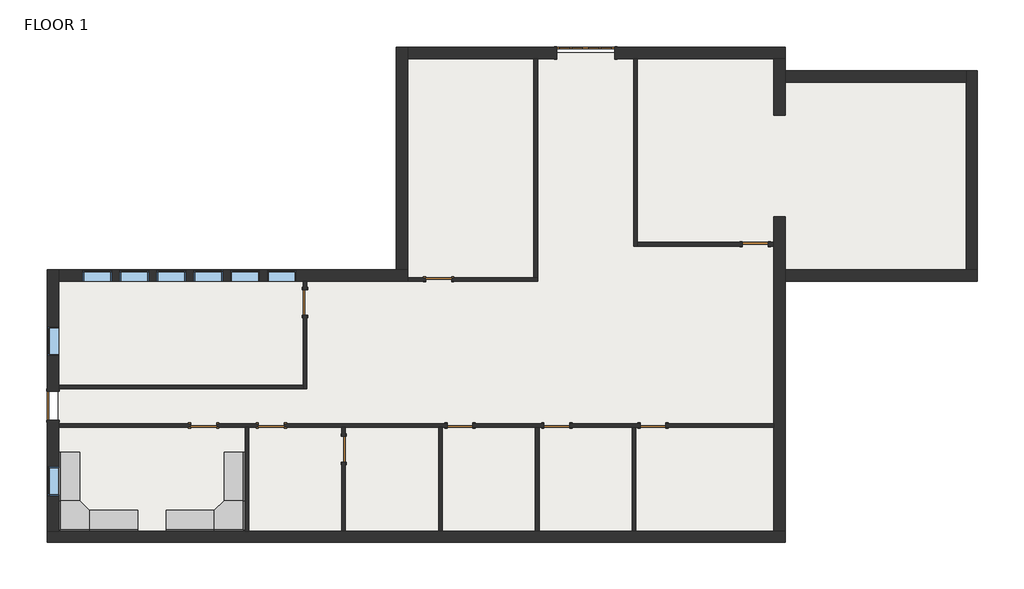
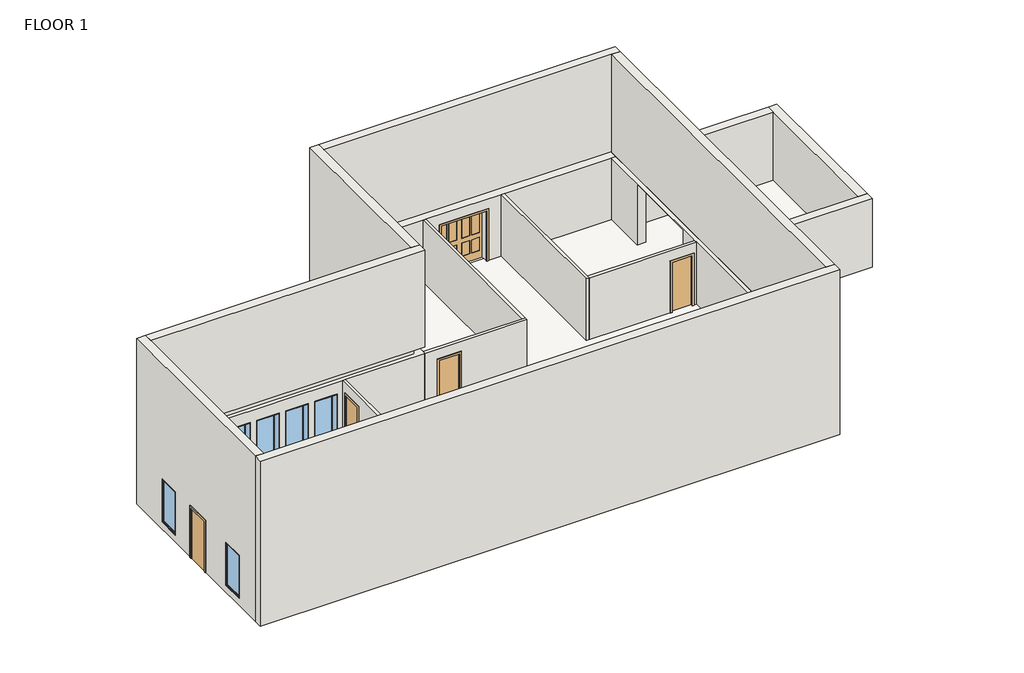
# One storey: 21 walls, 11 doors, 8 windows, 2 furniture elements, 1 slab.
"""IFC4 building model written with IfcOpenShell, lengths in millimetres."""

import ifcopenshell
import ifcopenshell.guid

model = None  # the IFC model being written
_history = None  # IfcOwnerHistory: only IFC2X3 demands one
_inside = {}  # id of a spatial element -> (the spatial element, [elements in it])
_under = {}  # id of a project, library or spatial element -> (it, [spatial elements below it])
_declared = {}  # id of a project -> (the project, [libraries it declares])
_typed = {}  # id of a type object -> (the type object, [elements of that type])
_made_of = {}  # id of a material, layer set ... -> (it, [elements and type objects made of it])


def new_model(schema):
    """Start an empty IFC model of exactly this schema.

    Asked for "IFC4X3", IfcOpenShell would pick the latest addendum, in which some entities
    have other attributes; the version numbers below select the first issue.
    IFC2X3 requires an IfcOwnerHistory on every rooted entity: one is made here for all.
    """
    global model, _history
    if schema == "IFC4X3":
        model = ifcopenshell.file(schema_version=(4, 3, 0, 0))
    else:
        model = ifcopenshell.file(schema=schema)
    _inside.clear()
    _under.clear()
    _declared.clear()
    _typed.clear()
    _made_of.clear()
    _history = None
    if model.schema == "IFC2X3":
        org = make("IfcOrganization", Name="unknown")
        user = make(
            "IfcPersonAndOrganization",
            ThePerson=make("IfcPerson", FamilyName="unknown"),
            TheOrganization=org,
        )
        app = make(
            "IfcApplication",
            ApplicationDeveloper=org,
            Version="unknown",
            ApplicationFullName="unknown",
            ApplicationIdentifier="unknown",
        )
        _history = make(
            "IfcOwnerHistory",
            OwningUser=user,
            OwningApplication=app,
            ChangeAction="ADDED",
            CreationDate=0,
        )
    return model


def make(cls, **values):
    """One entity of the class cls with the attributes given. An attribute that is None is left unset."""
    return model.create_entity(
        cls, **{name: value for name, value in values.items() if value is not None}
    )


def rooted(cls, **values):
    """An entity with a GlobalId (a new one), such as an element, a storey or a relation."""
    return make(cls, GlobalId=ifcopenshell.guid.new(), OwnerHistory=_history, **values)


def si_unit(unit_type, name, prefix=None):
    """IfcSIUnit, for example si_unit("LENGTHUNIT", "METRE", prefix="MILLI")."""
    return make("IfcSIUnit", UnitType=unit_type, Prefix=prefix, Name=name)


def assignment(units):
    """IfcUnitAssignment: the units of a project."""
    return None if units is None else make("IfcUnitAssignment", Units=units)


def point(xyz):
    """IfcCartesianPoint."""
    return None if xyz is None else make("IfcCartesianPoint", Coordinates=xyz)


def direction(xyz):
    """IfcDirection."""
    return None if xyz is None else make("IfcDirection", DirectionRatios=xyz)


def frame(location, z_axis=None, x_axis=None):
    """IfcAxis2Placement3D, a coordinate frame: its origin and axes. An axis left out is left unset."""
    return make(
        "IfcAxis2Placement3D",
        Location=point(location),
        Axis=direction(z_axis),
        RefDirection=direction(x_axis),
    )


def origin():
    """The frame at (0, 0, 0) with its axes left unset."""
    return frame((0.0, 0.0, 0.0))


def origin_with_axes():
    """The frame at (0, 0, 0) with the z axis (0, 0, 1) and the x axis (1, 0, 0) written out."""
    return frame((0.0, 0.0, 0.0), z_axis=(0.0, 0.0, 1.0), x_axis=(1.0, 0.0, 0.0))


def place(relative_to, where):
    """IfcLocalPlacement: puts the frame where relative to a parent placement (None: the world)."""
    return make(
        "IfcLocalPlacement", PlacementRelTo=relative_to, RelativePlacement=where
    )


def context(
    kind, dimensions, precision=None, world=None, true_north=None, identifier=None
):
    """IfcGeometricRepresentationContext, for example the 3D "Model" context."""
    return make(
        "IfcGeometricRepresentationContext",
        ContextIdentifier=identifier,
        ContextType=kind,
        CoordinateSpaceDimension=dimensions,
        Precision=precision,
        WorldCoordinateSystem=world,
        TrueNorth=true_north,
    )


def project(units=None, contexts=None):
    """IfcProject with its units and contexts."""
    return rooted(
        "IfcProject",
        Name="project",
        RepresentationContexts=contexts,
        UnitsInContext=assignment(units),
    )


def spatial(cls, under=None, at=None, **own):
    """A site, building, storey or space (cls), placed at a placement, below another one or the project."""
    s = rooted(cls, ObjectPlacement=at, **own)
    if under is not None:
        _under.setdefault(under.id(), (under, []))[1].append(s)
    return s


def polyline(points):
    """IfcPolyline through the points."""
    return make("IfcPolyline", Points=[point(p) for p in points])


def outline(outer, holes=None, kind="AREA"):
    """IfcArbitraryClosedProfileDef: a profile drawn as a closed curve; with holes, ...WithVoids."""
    if holes is None:
        return make("IfcArbitraryClosedProfileDef", ProfileType=kind, OuterCurve=outer)
    return make(
        "IfcArbitraryProfileDefWithVoids",
        ProfileType=kind,
        OuterCurve=outer,
        InnerCurves=holes,
    )


def extrude(swept, where, along, depth):
    """IfcExtrudedAreaSolid: the profile swept, set in the frame where, extruded along a direction by depth."""
    return make(
        "IfcExtrudedAreaSolid",
        SweptArea=swept,
        Position=where,
        ExtrudedDirection=direction(along),
        Depth=depth,
    )


def faces_of(points, faces, orient=None, outer=None):
    """IfcFace entities. A face is a list of loops; a loop is a list of indices into points, from 0.

    orient and outer hold one flag for each loop. By default every Orientation is true, the
    first loop of a face is its IfcFaceOuterBound and the others are IfcFaceBound.
    """
    made = []
    for i, loops in enumerate(faces):
        bounds = []
        for j, loop in enumerate(loops):
            is_outer = j == 0 if outer is None else outer[i][j]
            bounds.append(
                make(
                    "IfcFaceOuterBound" if is_outer else "IfcFaceBound",
                    Bound=make("IfcPolyLoop", Polygon=[points[k] for k in loop]),
                    Orientation=True if orient is None else orient[i][j],
                )
            )
        made.append(make("IfcFace", Bounds=bounds))
    return made


def faceted_brep(points, faces, orient=None, outer=None, voids=None):
    """IfcFacetedBrep: a solid bounded by flat faces; with voids (closed shells), ...WithVoids."""
    shared = [point(p) for p in points]
    hull = make("IfcClosedShell", CfsFaces=faces_of(shared, faces, orient, outer))
    if voids is None:
        return make("IfcFacetedBrep", Outer=hull)
    return make(
        "IfcFacetedBrepWithVoids",
        Outer=hull,
        Voids=[
            make(cls, CfsFaces=faces_of(shared, fs, o, b)) for cls, fs, o, b in voids
        ],
    )


def shape(context_of_items, identifier, shape_type, items):
    """IfcShapeRepresentation: the items that make up one representation, for example the "Body"."""
    return make(
        "IfcShapeRepresentation",
        ContextOfItems=context_of_items,
        RepresentationIdentifier=identifier,
        RepresentationType=shape_type,
        Items=items,
    )


def source(mapping_origin, context_of_items, identifier, shape_type, items):
    """IfcRepresentationMap: a shape defined once, which mapped items show again and again."""
    return make(
        "IfcRepresentationMap",
        MappingOrigin=mapping_origin,
        MappedRepresentation=shape(context_of_items, identifier, shape_type, items),
    )


def transform(
    local_origin,
    x_axis=None,
    y_axis=None,
    z_axis=None,
    scale=None,
    scale2=None,
    scale3=None,
    uniform=True,
):
    """IfcCartesianTransformationOperator3D, or its non-uniform kind. x_axis, y_axis, z_axis: its Axis1, 2, 3."""
    if uniform:
        return make(
            "IfcCartesianTransformationOperator3D",
            Axis1=direction(x_axis),
            Axis2=direction(y_axis),
            LocalOrigin=point(local_origin),
            Scale=scale,
            Axis3=direction(z_axis),
        )
    return make(
        "IfcCartesianTransformationOperator3DnonUniform",
        Axis1=direction(x_axis),
        Axis2=direction(y_axis),
        LocalOrigin=point(local_origin),
        Scale=scale,
        Axis3=direction(z_axis),
        Scale2=scale2,
        Scale3=scale3,
    )


def mapped(mapping_source, mapping_target):
    """IfcMappedItem: shows the shape of a source again, moved by a transform."""
    return make(
        "IfcMappedItem", MappingSource=mapping_source, MappingTarget=mapping_target
    )


def made_of(thing, what):
    """Note that an element or type object is made of a material, layer set ...; save() writes the relation."""
    if what is not None:
        _made_of.setdefault(what.id(), (what, []))[1].append(thing)
    return thing


def element(
    cls,
    number,
    at=None,
    inside=None,
    cuts=None,
    type_object=None,
    material=None,
    context=None,
    identifier="Body",
    shape_type=None,
    held_by="IfcProductDefinitionShape",
    body=None,
    shapes=None,
    **own,
):
    """One element of the class cls, such as IfcWall. Its Tag is "e" and its number.

    at: its placement. inside: the storey or other place that contains it. cuts: it is an
    opening in that element (IfcRelVoidsElement). A single representation is given by context,
    identifier, shape_type and body (its items); several are given by shapes. held_by: the class
    of the entity that holds the representations. save() writes the other relations.
    """
    e = rooted(cls, Tag="e%d" % number, ObjectPlacement=at, **own)
    if body is not None:
        shapes = [shape(context, identifier, shape_type, body)]
    if shapes is not None:
        e.Representation = make(held_by, Representations=shapes)
    if inside is not None:
        _inside.setdefault(inside.id(), (inside, []))[1].append(e)
    if cuts is not None:
        rooted(
            "IfcRelVoidsElement", RelatingBuildingElement=cuts, RelatedOpeningElement=e
        )
    if type_object is not None:
        _typed.setdefault(type_object.id(), (type_object, []))[1].append(e)
    return made_of(e, material)


def aggregate(whole, parts):
    """IfcRelAggregates: a whole, such as a stair, and the parts it consists of."""
    return rooted("IfcRelAggregates", RelatingObject=whole, RelatedObjects=parts)


def save(model, path):
    """Write the relations noted so far, then the file.

    IfcRelAggregates (storeys below a building ...), IfcRelContainedInSpatialStructure (elements
    in a storey), IfcRelDefinesByType, IfcRelAssociatesMaterial and IfcRelDeclares: one each for
    every whole, place, type object, material and project.
    """
    for whole, parts in _under.values():
        aggregate(whole, parts)
    for where, things in _inside.values():
        rooted(
            "IfcRelContainedInSpatialStructure",
            RelatedElements=things,
            RelatingStructure=where,
        )
    for kind, things in _typed.values():
        rooted("IfcRelDefinesByType", RelatedObjects=things, RelatingType=kind)
    for what, things in _made_of.values():
        rooted("IfcRelAssociatesMaterial", RelatedObjects=things, RelatingMaterial=what)
    for by, libraries in _declared.values():
        rooted("IfcRelDeclares", RelatingContext=by, RelatedDefinitions=libraries)
    model.write(path)


def door_602acdc1(model_context):
    return source(origin(), model_context, "Body", "SweptSolid", [
        extrude(outline(polyline([(2209.8, -990.6), (0.0, -990.6), (0.0, -914.4), (2133.6, -914.4), (2133.6, 914.4), (0.0, 914.4), (0.0, 990.6), (2209.8, 990.6), (2209.8, -990.6)])), frame((0.0, 176.2125, 0.0), z_axis=(0.0, 1.0, 0.0), x_axis=(0.0, 0.0, 1.0)), (0.0, 0.0, 1.0), 25.4),
        extrude(outline(polyline([(495.3, 163.5125), (812.8, 163.5125), (812.8, 138.1125), (495.3, 138.1125), (495.3, 163.5125)])), frame((0.0, 0.0, 1066.8), z_axis=(0.0, 0.0, 1.0), x_axis=(1.0, 0.0, 0.0)), (0.0, 0.0, 1.0), 889.0),
        extrude(outline(polyline([(101.6, 163.5125), (419.1, 163.5125), (419.1, 138.1125), (101.6, 138.1125), (101.6, 163.5125)])), frame((0.0, 0.0, 1066.8), z_axis=(0.0, 0.0, 1.0), x_axis=(1.0, 0.0, 0.0)), (0.0, 0.0, 1.0), 889.0),
        extrude(outline(polyline([(495.3, 163.5125), (812.8, 163.5125), (812.8, 138.1125), (495.3, 138.1125), (495.3, 163.5125)])), frame((0.0, 0.0, 304.8), z_axis=(0.0, 0.0, 1.0), x_axis=(1.0, 0.0, 0.0)), (0.0, 0.0, 1.0), 558.8),
        extrude(outline(polyline([(101.6, 163.5125), (419.1, 163.5125), (419.1, 138.1125), (101.6, 138.1125), (101.6, 163.5125)])), frame((0.0, 0.0, 304.8), z_axis=(0.0, 0.0, 1.0), x_axis=(1.0, 0.0, 0.0)), (0.0, 0.0, 1.0), 558.8),
        extrude(outline(polyline([(-419.1, 163.5125), (-101.6, 163.5125), (-101.6, 138.1125), (-419.1, 138.1125), (-419.1, 163.5125)])), frame((0.0, 0.0, 1066.8), z_axis=(0.0, 0.0, 1.0), x_axis=(1.0, 0.0, 0.0)), (0.0, 0.0, 1.0), 889.0),
        extrude(outline(polyline([(-812.8, 163.5125), (-495.3, 163.5125), (-495.3, 138.1125), (-812.8, 138.1125), (-812.8, 163.5125)])), frame((0.0, 0.0, 1066.8), z_axis=(0.0, 0.0, 1.0), x_axis=(1.0, 0.0, 0.0)), (0.0, 0.0, 1.0), 889.0),
        extrude(outline(polyline([(-419.1, 163.5125), (-101.6, 163.5125), (-101.6, 138.1125), (-419.1, 138.1125), (-419.1, 163.5125)])), frame((0.0, 0.0, 304.8), z_axis=(0.0, 0.0, 1.0), x_axis=(1.0, 0.0, 0.0)), (0.0, 0.0, 1.0), 558.8),
        extrude(outline(polyline([(-812.8, 163.5125), (-495.3, 163.5125), (-495.3, 138.1125), (-812.8, 138.1125), (-812.8, 163.5125)])), frame((0.0, 0.0, 304.8), z_axis=(0.0, 0.0, 1.0), x_axis=(1.0, 0.0, 0.0)), (0.0, 0.0, 1.0), 558.8),
        extrude(outline(polyline([(2133.6, 0.0), (2133.6, -914.4), (0.0, -914.4), (0.0, 0.0), (0.0, 914.4), (2133.6, 914.4), (2133.6, 0.0)]), holes=[polyline([(1955.8, 495.3), (1955.8, 812.8), (1066.8, 812.8), (1066.8, 495.3), (1955.8, 495.3)]), polyline([(1955.8, 101.6), (1955.8, 419.1), (1066.8, 419.1), (1066.8, 101.6), (1955.8, 101.6)]), polyline([(863.6, 495.3), (863.6, 812.8), (304.8, 812.8), (304.8, 495.3), (863.6, 495.3)]), polyline([(863.6, 101.6), (863.6, 419.1), (304.8, 419.1), (304.8, 101.6), (863.6, 101.6)]), polyline([(1066.8, -419.1), (1955.8, -419.1), (1955.8, -101.6), (1066.8, -101.6), (1066.8, -419.1)]), polyline([(1955.8, -812.8), (1955.8, -495.3), (1066.8, -495.3), (1066.8, -812.8), (1955.8, -812.8)]), polyline([(863.6, -419.1), (863.6, -101.6), (304.8, -101.6), (304.8, -419.1), (863.6, -419.1)]), polyline([(863.6, -812.8), (863.6, -495.3), (304.8, -495.3), (304.8, -812.8), (863.6, -812.8)])]), frame((0.0, 125.4125, 0.0), z_axis=(0.0, 1.0, 0.0), x_axis=(0.0, 0.0, 1.0)), (0.0, 0.0, 1.0), 50.8),
        extrude(outline(polyline([(2133.6, -914.4), (2133.6, 914.4), (0.0, 914.4), (0.0, 990.6), (2209.8, 990.6), (2209.8, -990.6), (0.0, -990.6), (0.0, -914.4), (2133.6, -914.4)])), frame((0.0, -201.6125, 0.0), z_axis=(0.0, 1.0, 0.0), x_axis=(0.0, 0.0, 1.0)), (0.0, 0.0, 1.0), 25.4),
    ])


def door_d141acb4(model_context):
    return source(origin(), model_context, "Body", "SweptSolid", [
        extrude(outline(polyline([(2209.8, -482.6), (0.0, -482.6), (0.0, -406.4), (2133.6, -406.4), (2133.6, 406.4), (0.0, 406.4), (0.0, 482.6), (2209.8, 482.6), (2209.8, -482.6)])), frame((0.0, 57.15, 0.0), z_axis=(0.0, 1.0, 0.0), x_axis=(0.0, 0.0, 1.0)), (0.0, 0.0, 1.0), 25.4),
        extrude(outline(polyline([(2209.8, 482.6), (2209.8, -482.6), (0.0, -482.6), (0.0, -406.4), (2133.6, -406.4), (2133.6, 406.4), (0.0, 406.4), (0.0, 482.6), (2209.8, 482.6)])), frame((0.0, -82.55, 0.0), z_axis=(0.0, 1.0, 0.0), x_axis=(0.0, 0.0, 1.0)), (0.0, 0.0, 1.0), 25.4),
        extrude(outline(polyline([(406.4, 6.35), (-406.4, 6.35), (-406.4, 57.15), (406.4, 57.15), (406.4, 6.35)])), origin_with_axes(), (0.0, 0.0, 1.0), 2133.6),
    ])


def door_38851409(model_context):
    return source(origin(), model_context, "Body", "SweptSolid", [
        extrude(outline(polyline([(2209.8, -482.6), (0.0, -482.6), (0.0, -406.4), (2133.6, -406.4), (2133.6, 406.4), (0.0, 406.4), (0.0, 482.6), (2209.8, 482.6), (2209.8, -482.6)])), frame((0.0, -82.55, 0.0), z_axis=(0.0, 1.0, 0.0), x_axis=(0.0, 0.0, 1.0)), (0.0, 0.0, 1.0), 25.4),
        extrude(outline(polyline([(2209.8, 482.6), (2209.8, -482.6), (0.0, -482.6), (0.0, -406.4), (2133.6, -406.4), (2133.6, 406.4), (0.0, 406.4), (0.0, 482.6), (2209.8, 482.6)])), frame((0.0, 57.15, 0.0), z_axis=(0.0, 1.0, 0.0), x_axis=(0.0, 0.0, 1.0)), (0.0, 0.0, 1.0), 25.4),
        extrude(outline(polyline([(406.4, -6.35), (406.4, -57.15), (-406.4, -57.15), (-406.4, -6.35), (406.4, -6.35)])), origin_with_axes(), (0.0, 0.0, 1.0), 2133.6),
    ])


def door_632be17d(model_context):
    return source(origin(), model_context, "Body", "SweptSolid", [
        extrude(outline(polyline([(2209.8, -533.4), (0.0, -533.4), (0.0, -457.2), (2133.6, -457.2), (2133.6, 457.2), (0.0, 457.2), (0.0, 533.4), (2209.8, 533.4), (2209.8, -533.4)])), frame((0.0, 176.2125, 0.0), z_axis=(0.0, 1.0, 0.0), x_axis=(0.0, 0.0, 1.0)), (0.0, 0.0, 1.0), 25.4),
        extrude(outline(polyline([(2209.8, 533.4), (2209.8, -533.4), (0.0, -533.4), (0.0, -457.2), (2133.6, -457.2), (2133.6, 457.2), (0.0, 457.2), (0.0, 533.4), (2209.8, 533.4)])), frame((0.0, -201.6125, 0.0), z_axis=(0.0, 1.0, 0.0), x_axis=(0.0, 0.0, 1.0)), (0.0, 0.0, 1.0), 25.4),
        extrude(outline(polyline([(457.2, 125.4125), (-457.2, 125.4125), (-457.2, 176.2125), (457.2, 176.2125), (457.2, 125.4125)])), origin_with_axes(), (0.0, 0.0, 1.0), 2133.6),
    ])


def furniture_45e3acac(model_context):
    return source(origin(), model_context, "Body", "SweptSolid", [
        extrude(outline(polyline([(-80.9317522, -545.8230076), (833.4682478, -545.8230076), (833.4682478, -1155.4230076), (528.6682478, -1460.2230076), (-80.9317522, -1460.2230076), (-80.9317522, -545.8230076)])), frame((0.0, 0.0, 723.9), z_axis=(0.0, 0.0, 1.0), x_axis=(1.0, 0.0, 0.0)), (0.0, 0.0, 1.0), 38.1),
        extrude(outline(polyline([(528.6682478, -2984.2230076), (-80.9317522, -2984.2230076), (-80.9317522, -1460.2230076), (528.6682478, -1460.2230076), (528.6682478, -2984.2230076)])), frame((0.0, 0.0, 723.9), z_axis=(0.0, 0.0, 1.0), x_axis=(1.0, 0.0, 0.0)), (0.0, 0.0, 1.0), 38.1),
        extrude(outline(polyline([(2357.4682478, -1155.4230076), (833.4682478, -1155.4230076), (833.4682478, -545.8230076), (2357.4682478, -545.8230076), (2357.4682478, -1155.4230076)])), frame((0.0, 0.0, 723.9), z_axis=(0.0, 0.0, 1.0), x_axis=(1.0, 0.0, 0.0)), (0.0, 0.0, 1.0), 38.1),
        extrude(outline(polyline([(2357.4682478, -545.8230076), (833.4682478, -545.8230076), (833.4682478, -495.0230076), (2357.4682478, -495.0230076), (2357.4682478, -545.8230076)])), origin_with_axes(), (0.0, 0.0, 1.0), 1676.4),
        extrude(outline(polyline([(833.4682478, -545.8230076), (-80.9317522, -545.8230076), (-80.9317522, -495.0230076), (833.4682478, -495.0230076), (833.4682478, -545.8230076)])), origin_with_axes(), (0.0, 0.0, 1.0), 1676.4),
        extrude(outline(polyline([(-80.9317522, -1460.2230076), (-131.7317522, -1460.2230076), (-131.7317522, -545.8230076), (-80.9317522, -545.8230076), (-80.9317522, -1460.2230076)])), origin_with_axes(), (0.0, 0.0, 1.0), 1676.4),
        extrude(outline(polyline([(-80.9317522, -2984.2230076), (-131.7317522, -2984.2230076), (-131.7317522, -1460.2230076), (-80.9317522, -1460.2230076), (-80.9317522, -2984.2230076)])), origin_with_axes(), (0.0, 0.0, 1.0), 1676.4),
    ])


def furniture_7b33082a(model_context):
    return source(origin(), model_context, "Body", "SweptSolid", [
        extrude(outline(polyline([(-80.9317522, 545.8230076), (-80.9317522, 1460.2230076), (528.6682478, 1460.2230076), (833.4682478, 1155.4230076), (833.4682478, 545.8230076), (-80.9317522, 545.8230076)])), frame((0.0, 0.0, 723.9), z_axis=(0.0, 0.0, 1.0), x_axis=(1.0, 0.0, 0.0)), (0.0, 0.0, 1.0), 38.1),
        extrude(outline(polyline([(528.6682478, 2984.2230076), (528.6682478, 1460.2230076), (-80.9317522, 1460.2230076), (-80.9317522, 2984.2230076), (528.6682478, 2984.2230076)])), frame((0.0, 0.0, 723.9), z_axis=(0.0, 0.0, 1.0), x_axis=(1.0, 0.0, 0.0)), (0.0, 0.0, 1.0), 38.1),
        extrude(outline(polyline([(2357.4682478, 1155.4230076), (2357.4682478, 545.8230076), (833.4682478, 545.8230076), (833.4682478, 1155.4230076), (2357.4682478, 1155.4230076)])), frame((0.0, 0.0, 723.9), z_axis=(0.0, 0.0, 1.0), x_axis=(1.0, 0.0, 0.0)), (0.0, 0.0, 1.0), 38.1),
        extrude(outline(polyline([(2357.4682478, 545.8230076), (2357.4682478, 495.0230076), (833.4682478, 495.0230076), (833.4682478, 545.8230076), (2357.4682478, 545.8230076)])), origin_with_axes(), (0.0, 0.0, 1.0), 1676.4),
        extrude(outline(polyline([(833.4682478, 545.8230076), (833.4682478, 495.0230076), (-80.9317522, 495.0230076), (-80.9317522, 545.8230076), (833.4682478, 545.8230076)])), origin_with_axes(), (0.0, 0.0, 1.0), 1676.4),
        extrude(outline(polyline([(-80.9317522, 1460.2230076), (-80.9317522, 545.8230076), (-131.7317522, 545.8230076), (-131.7317522, 1460.2230076), (-80.9317522, 1460.2230076)])), origin_with_axes(), (0.0, 0.0, 1.0), 1676.4),
        extrude(outline(polyline([(-80.9317522, 2984.2230076), (-80.9317522, 1460.2230076), (-131.7317522, 1460.2230076), (-131.7317522, 2984.2230076), (-80.9317522, 2984.2230076)])), origin_with_axes(), (0.0, 0.0, 1.0), 1676.4),
    ])


def window_145f8bd4(model_context):
    return source(origin(), model_context, "Body", "SweptSolid", [
        extrude(outline(polyline([(355.6, 128.5875), (-431.8, 128.5875), (-431.8, 141.2875), (355.6, 141.2875), (355.6, 128.5875)])), frame((0.0, 0.0, 368.3), z_axis=(0.0, 0.0, 1.0), x_axis=(1.0, 0.0, 0.0)), (0.0, 0.0, 1.0), 1701.8),
        extrude(outline(polyline([(2114.55, -476.25), (323.85, -476.25), (323.85, 400.05), (2114.55, 400.05), (2114.55, -476.25)]), holes=[polyline([(2070.1, -431.8), (2070.1, 355.6), (368.3, 355.6), (368.3, -431.8), (2070.1, -431.8)])]), frame((0.0, 112.7125, 0.0), z_axis=(0.0, 1.0, 0.0), x_axis=(0.0, 0.0, 1.0)), (0.0, 0.0, 1.0), 44.45),
        extrude(outline(polyline([(2133.6, -495.3), (304.8, -495.3), (304.8, 419.1), (2133.6, 419.1), (2133.6, -495.3)]), holes=[polyline([(2101.85, -463.55), (2101.85, 387.35), (336.55, 387.35), (336.55, -463.55), (2101.85, -463.55)])]), frame((0.0, -176.2125, 0.0), z_axis=(0.0, 1.0, 0.0), x_axis=(0.0, 0.0, 1.0)), (0.0, 0.0, 1.0), 288.925),
        extrude(outline(polyline([(2133.6, 419.1), (2133.6, -495.3), (304.8, -495.3), (304.8, 419.1), (2133.6, 419.1)]), holes=[polyline([(2114.55, 400.05), (323.85, 400.05), (323.85, -476.25), (2114.55, -476.25), (2114.55, 400.05)])]), frame((0.0, 112.7125, 0.0), z_axis=(0.0, 1.0, 0.0), x_axis=(0.0, 0.0, 1.0)), (0.0, 0.0, 1.0), 63.5),
    ])


model = new_model("IFC4")

# Units and contexts
model_context = context("Model", 3, world=origin())
ifc_project = project(units=[si_unit("LENGTHUNIT", "METRE", prefix="MILLI")], contexts=[model_context])

# Site, building, storey
site = spatial("IfcSite", under=ifc_project)
building = spatial("IfcBuilding", under=site)
storey = spatial("IfcBuildingStorey", under=building, Name="FLOOR 1", Elevation=0.0)

# Doors
placement = place(None, origin())
door_shape = door_602acdc1(model_context)
element("IfcDoor", 1, ObjectType="Double-Panel 2 : 72\" x 84\"", at=placement, inside=storey, context=model_context, shape_type="MappedRepresentation", body=[
    mapped(door_shape, transform((12420.3894897, 368.9702768, 0.0), x_axis=(1.0, 0.0, 0.0), y_axis=(0.0, 1.0, 0.0), z_axis=(0.0, 0.0, 1.0))),
])
door_2_shape = door_d141acb4(model_context)
element("IfcDoor", 2, ObjectType="Single-Flush : 32\" x 84\"", at=placement, inside=storey, context=model_context, shape_type="MappedRepresentation", body=[
    mapped(door_2_shape, transform((3581.1894897, -7487.5672232, 0.0), x_axis=(0.0, 1.0, 0.0), y_axis=(-1.0, 0.0, 0.0), z_axis=(0.0, 0.0, 1.0))),
])
element("IfcDoor", 3, ObjectType="Single-Flush : 32\" x 84\"", at=placement, inside=storey, context=model_context, shape_type="MappedRepresentation", body=[
    mapped(door_2_shape, transform((2523.9144897, -11365.8297232, 0.0), x_axis=(-1.0, 0.0, 0.0), y_axis=(0.0, -1.0, 0.0), z_axis=(0.0, 0.0, 1.0))),
])
element("IfcDoor", 4, ObjectType="Single-Flush : 32\" x 84\"", at=placement, inside=storey, context=model_context, shape_type="MappedRepresentation", body=[
    mapped(door_2_shape, transform((8467.5144897, -11365.8297232, 0.0), x_axis=(-1.0, 0.0, 0.0), y_axis=(0.0, -1.0, 0.0), z_axis=(0.0, 0.0, 1.0))),
])
element("IfcDoor", 5, ObjectType="Single-Flush : 32\" x 84\"", at=placement, inside=storey, context=model_context, shape_type="MappedRepresentation", body=[
    mapped(door_2_shape, transform((11515.5144897, -11365.8297232, 0.0), x_axis=(-1.0, 0.0, 0.0), y_axis=(0.0, -1.0, 0.0), z_axis=(0.0, 0.0, 1.0))),
])
element("IfcDoor", 6, ObjectType="Single-Flush : 32\" x 84\"", at=placement, inside=storey, context=model_context, shape_type="MappedRepresentation", body=[
    mapped(door_2_shape, transform((17763.9144897, -5655.5922232, 0.0), x_axis=(1.0, 0.0, 0.0), y_axis=(0.0, 1.0, 0.0), z_axis=(0.0, 0.0, 1.0))),
])
element("IfcDoor", 7, ObjectType="Single-Flush : 32\" x 84\"", at=placement, inside=storey, context=model_context, shape_type="MappedRepresentation", body=[
    mapped(door_2_shape, transform((14544.4644897, -11365.8297232, 0.0), x_axis=(-1.0, 0.0, 0.0), y_axis=(0.0, -1.0, 0.0), z_axis=(0.0, 0.0, 1.0))),
])
door_3_shape = door_38851409(model_context)
element("IfcDoor", 8, ObjectType="Single-Flush : 32\" x 84\"", at=placement, inside=storey, context=model_context, shape_type="MappedRepresentation", body=[
    mapped(door_3_shape, transform((7791.2394897, -6760.4922232, 0.0), x_axis=(-1.0, 0.0, 0.0), y_axis=(0.0, -1.0, 0.0), z_axis=(0.0, 0.0, 1.0))),
])
element("IfcDoor", 9, ObjectType="Single-Flush : 32\" x 84\"", at=placement, inside=storey, context=model_context, shape_type="MappedRepresentation", body=[
    mapped(door_3_shape, transform((4800.3894897, -12113.5422232, 0.0), x_axis=(0.0, 1.0, 0.0), y_axis=(-1.0, 0.0, 0.0), z_axis=(0.0, 0.0, 1.0))),
])
element("IfcDoor", 10, ObjectType="Single-Flush : 32\" x 84\"", at=placement, inside=storey, context=model_context, shape_type="MappedRepresentation", body=[
    mapped(door_3_shape, transform((390.3144897, -11365.8297232, 0.0), x_axis=(1.0, 0.0, 0.0), y_axis=(0.0, 1.0, 0.0), z_axis=(0.0, 0.0, 1.0))),
])
door_4_shape = door_632be17d(model_context)
element("IfcDoor", 11, ObjectType="Single-Flush : 36\" x 84\"", at=placement, inside=storey, context=model_context, shape_type="MappedRepresentation", body=[
    mapped(door_4_shape, transform((-4354.7230103, -10735.5922232, 0.0), x_axis=(0.0, 1.0, 0.0), y_axis=(-1.0, 0.0, 0.0), z_axis=(0.0, 0.0, 1.0))),
])

# Furniture
furniture_shape = furniture_45e3acac(model_context)
element("IfcFurniture", 12, ObjectType="Work Station Cubicle : 96\" x 96\"", at=placement, inside=storey, context=model_context, shape_type="MappedRepresentation", body=[
    mapped(furniture_shape, transform((-4673.533518, -14563.0854709, 0.0), x_axis=(0.0, 1.0000000000000009, 0.0), y_axis=(-1.0000000000000009, 0.0, 0.0), z_axis=(0.0, 0.0, 1.0))),
])
furniture_2_shape = furniture_7b33082a(model_context)
element("IfcFurniture", 13, ObjectType="Work Station Cubicle : 96\" x 96\"", at=placement, inside=storey, context=model_context, shape_type="MappedRepresentation", body=[
    mapped(furniture_2_shape, transform((2190.2624973, -14563.0854709, 0.0), x_axis=(0.0, 1.0000000000000009, 0.0), y_axis=(-1.0000000000000009, 0.0, 0.0), z_axis=(0.0, 0.0, 1.0))),
])

# Slab
element("IfcSlab", 14, ObjectType="Concrete Slab on Grade, Tile", at=placement, inside=storey, context=model_context, shape_type="SweptSolid", body=[
    extrude(outline(polyline([(6629.1894897, -6804.9422232), (6629.1894897, 380.0827768), (18363.9894897, 380.0827768), (18363.9894897, -534.3172232), (24421.8894897, -534.3172232), (24421.8894897, -6477.9172232), (18363.9894897, -6477.9172232), (18363.9894897, -14707.5172232), (-4191.2105103, -14707.5172232), (-4191.2105103, -6804.9422232), (6629.1894897, -6804.9422232)])), frame((0.0, 0.0, -136.525), z_axis=(0.0, 0.0, 1.0), x_axis=(1.0, 0.0, 0.0)), (0.0, 0.0, 1.0), 136.525),
])

# Walls
element("IfcWall", 15, ObjectType="Exterior - Brick on Mtl. Stud", at=placement, inside=storey, context=model_context, shape_type="Brep", body=[
    faceted_brep([(18703.7144897, -14694.8172232, 0.0), (18351.2894897, -14694.8172232, 0.0), (14001.5394897, -14694.8172232, 0.0), (13887.2394897, -14694.8172232, 0.0), (10953.5394897, -14694.8172232, 0.0), (10839.2394897, -14694.8172232, 0.0), (7905.5394897, -14694.8172232, 0.0), (7791.2394897, -14694.8172232, 0.0), (4857.5394897, -14694.8172232, 0.0), (4743.2394897, -14694.8172232, 0.0), (1809.5394897, -14694.8172232, 0.0), (1695.2394897, -14694.8172232, 0.0), (-4178.5105103, -14694.8172232, 0.0), (-4530.9355103, -14694.8172232, 0.0), (-4530.9355103, -14694.8172232, 7010.4), (-4178.5105103, -14694.8172232, 7010.4), (18351.2894897, -14694.8172232, 7010.4), (18703.7144897, -14694.8172232, 7010.4), (-4343.6105103, -14694.8172232, 2622.55), (-4178.5105103, -14694.8172232, 2622.55), (1695.2394897, -14694.8172232, 2622.55), (1809.5394897, -14694.8172232, 2622.55), (4743.2394897, -14694.8172232, 2622.55), (4857.5394897, -14694.8172232, 2622.55), (7791.2394897, -14694.8172232, 2622.55), (7905.5394897, -14694.8172232, 2622.55), (10839.2394897, -14694.8172232, 2622.55), (10953.5394897, -14694.8172232, 2622.55), (13887.2394897, -14694.8172232, 2622.55), (14001.5394897, -14694.8172232, 2622.55), (18351.2894897, -14694.8172232, 2622.55), (18516.3894897, -14694.8172232, 2622.55), (18516.3894897, -14694.8172232, 2895.6), (18351.2894897, -14694.8172232, 2895.6), (-4178.5105103, -14694.8172232, 2895.6), (-4343.6105103, -14694.8172232, 2895.6), (-4530.9355103, -15047.2422232, 0.0), (18703.7144897, -15047.2422232, 0.0), (18703.7144897, -15047.2422232, 7010.4), (-4530.9355103, -15047.2422232, 7010.4), (-4343.6105103, -14859.9172232, 2622.55), (18516.3894897, -14859.9172232, 2622.55), (18516.3894897, -14859.9172232, 2895.6), (-4343.6105103, -14859.9172232, 2895.6)], [[[0, 1, 2, 3, 4, 5, 6, 7, 8, 9, 10, 11, 12, 13, 14, 15, 16, 17], [18, 19, 20, 21, 22, 23, 24, 25, 26, 27, 28, 29, 30, 31, 32, 33, 34, 35]], [[36, 37, 38, 39]], [[13, 12, 11, 10, 9, 8, 7, 6, 5, 4, 3, 2, 1, 0, 37, 36]], [[17, 16, 15, 14, 39, 38]], [[14, 13, 36, 39]], [[0, 17, 38, 37]], [[40, 41, 31, 30, 29, 28, 27, 26, 25, 24, 23, 22, 21, 20, 19, 18]], [[42, 43, 35, 34, 33, 32]], [[41, 42, 32, 31]], [[41, 40, 43, 42]], [[43, 40, 18, 35]]]),
])
element("IfcWall", 16, ObjectType="Exterior - Brick on Mtl. Stud", at=placement, inside=storey, context=model_context, shape_type="Brep", body=[
    faceted_brep([(-4178.5105103, -6465.2172232, 7010.4), (-4178.5105103, -6817.6422232, 7010.4), (-4178.5105103, -14694.8172232, 7010.4), (-4178.5105103, -14694.8172232, 2895.6), (-4178.5105103, -6652.5422232, 2895.6), (-4178.5105103, -6652.5422232, 2622.55), (-4178.5105103, -10089.4797232, 2622.55), (-4178.5105103, -10203.7797232, 2622.55), (-4178.5105103, -11308.6797232, 2622.55), (-4178.5105103, -11422.9797232, 2622.55), (-4178.5105103, -14694.8172232, 2622.55), (-4178.5105103, -14694.8172232, 0.0), (-4178.5105103, -11422.9797232, 0.0), (-4178.5105103, -11308.6797232, 0.0), (-4178.5105103, -11192.7922232, 0.0), (-4178.5105103, -11192.7922232, 2133.6), (-4178.5105103, -10278.3922232, 2133.6), (-4178.5105103, -10278.3922232, 0.0), (-4178.5105103, -10203.7797232, 0.0), (-4178.5105103, -10089.4797232, 0.0), (-4178.5105103, -6817.6422232, 0.0), (-4178.5105103, -6465.2172232, 0.0), (-4178.5105103, -8248.5257309, 2133.6), (-4178.5105103, -8248.5257309, 304.8), (-4178.5105103, -9162.9257309, 304.8), (-4178.5105103, -9162.9257309, 2133.6), (-4178.5105103, -12668.1257309, 2133.6), (-4178.5105103, -12668.1257309, 304.8), (-4178.5105103, -13582.5257309, 304.8), (-4178.5105103, -13582.5257309, 2133.6), (-4530.9355103, -14694.8172232, 7010.4), (-4530.9355103, -6465.2172232, 7010.4), (-4530.9355103, -6465.2172232, 0.0), (-4530.9355103, -10278.3922232, 0.0), (-4530.9355103, -10278.3922232, 2133.6), (-4530.9355103, -11192.7922232, 2133.6), (-4530.9355103, -11192.7922232, 0.0), (-4530.9355103, -14694.8172232, 0.0), (-4530.9355103, -8248.5257309, 304.8), (-4530.9355103, -8248.5257309, 2133.6), (-4530.9355103, -9162.9257309, 2133.6), (-4530.9355103, -9162.9257309, 304.8), (-4530.9355103, -12668.1257309, 304.8), (-4530.9355103, -12668.1257309, 2133.6), (-4530.9355103, -13582.5257309, 2133.6), (-4530.9355103, -13582.5257309, 304.8), (-4343.6105103, -14694.8172232, 2622.55), (-4343.6105103, -14694.8172232, 2895.6), (-4343.6105103, -6652.5422232, 2622.55), (-4343.6105103, -6652.5422232, 2895.6)], [[[0, 1, 2, 3, 4, 5, 6, 7, 8, 9, 10, 11, 12, 13, 14, 15, 16, 17, 18, 19, 20, 21], [22, 23, 24, 25], [26, 27, 28, 29]], [[30, 31, 32, 33, 34, 35, 36, 37], [38, 39, 40, 41], [42, 43, 44, 45]], [[11, 37, 36, 14, 13, 12]], [[32, 21, 20, 19, 18, 17, 33]], [[2, 1, 0, 31, 30]], [[2, 30, 37, 11, 10, 46, 47, 3]], [[0, 21, 32, 31]], [[23, 22, 39, 38]], [[24, 23, 38, 41]], [[25, 24, 41, 40]], [[22, 25, 40, 39]], [[27, 26, 43, 42]], [[28, 27, 42, 45]], [[29, 28, 45, 44]], [[26, 29, 44, 43]], [[5, 48, 46, 10, 9, 8, 7, 6]], [[47, 49, 4, 3]], [[48, 49, 47, 46]], [[49, 48, 5, 4]], [[34, 33, 17, 16]], [[35, 34, 16, 15]], [[36, 35, 15, 14]]]),
])
element("IfcWall", 17, ObjectType="Exterior - Brick on Mtl. Stud", at=placement, inside=storey, context=model_context, shape_type="Brep", body=[
    faceted_brep([(6816.5144897, -6817.6422232, 7010.4), (-4178.5105103, -6817.6422232, 7010.4), (-4178.5105103, -6817.6422232, 2895.6), (6816.5144897, -6817.6422232, 2895.6), (-4178.5105103, -6817.6422232, 0.0), (3524.0394897, -6817.6422232, 0.0), (3638.3394897, -6817.6422232, 0.0), (6816.5144897, -6817.6422232, 0.0), (6816.5144897, -6817.6422232, 2622.55), (3638.3394897, -6817.6422232, 2622.55), (3524.0394897, -6817.6422232, 2622.55), (-4178.5105103, -6817.6422232, 2622.55), (-2502.1105103, -6817.6422232, 2133.6), (-2502.1105103, -6817.6422232, 304.8), (-3416.5105103, -6817.6422232, 304.8), (-3416.5105103, -6817.6422232, 2133.6), (3314.4894897, -6817.6422232, 2133.6), (3314.4894897, -6817.6422232, 304.8), (2400.0894897, -6817.6422232, 304.8), (2400.0894897, -6817.6422232, 2133.6), (2151.1694897, -6817.6422232, 2133.6), (2151.1694897, -6817.6422232, 304.8), (1236.7694897, -6817.6422232, 304.8), (1236.7694897, -6817.6422232, 2133.6), (987.8494897, -6817.6422232, 2133.6), (987.8494897, -6817.6422232, 304.8), (73.4494897, -6817.6422232, 304.8), (73.4494897, -6817.6422232, 2133.6), (-175.4705103, -6817.6422232, 2133.6), (-175.4705103, -6817.6422232, 304.8), (-1089.8705103, -6817.6422232, 304.8), (-1089.8705103, -6817.6422232, 2133.6), (-1338.7905103, -6817.6422232, 2133.6), (-1338.7905103, -6817.6422232, 304.8), (-2253.1905103, -6817.6422232, 304.8), (-2253.1905103, -6817.6422232, 2133.6), (6816.5144897, -6465.2172232, 0.0), (6464.0894897, -6465.2172232, 0.0), (-4178.5105103, -6465.2172232, 0.0), (-4178.5105103, -6465.2172232, 7010.4), (6464.0894897, -6465.2172232, 7010.4), (6816.5144897, -6465.2172232, 7010.4), (6816.5144897, -6465.2172232, 2895.6), (6476.7894897, -6465.2172232, 2895.6), (6476.7894897, -6465.2172232, 2622.55), (6816.5144897, -6465.2172232, 2622.55), (-2502.1105103, -6465.2172232, 304.8), (-2502.1105103, -6465.2172232, 2133.6), (-3416.5105103, -6465.2172232, 2133.6), (-3416.5105103, -6465.2172232, 304.8), (3314.4894897, -6465.2172232, 304.8), (3314.4894897, -6465.2172232, 2133.6), (2400.0894897, -6465.2172232, 2133.6), (2400.0894897, -6465.2172232, 304.8), (2151.1694897, -6465.2172232, 304.8), (2151.1694897, -6465.2172232, 2133.6), (1236.7694897, -6465.2172232, 2133.6), (1236.7694897, -6465.2172232, 304.8), (987.8494897, -6465.2172232, 304.8), (987.8494897, -6465.2172232, 2133.6), (73.4494897, -6465.2172232, 2133.6), (73.4494897, -6465.2172232, 304.8), (-175.4705103, -6465.2172232, 304.8), (-175.4705103, -6465.2172232, 2133.6), (-1089.8705103, -6465.2172232, 2133.6), (-1089.8705103, -6465.2172232, 304.8), (-1338.7905103, -6465.2172232, 304.8), (-1338.7905103, -6465.2172232, 2133.6), (-2253.1905103, -6465.2172232, 2133.6), (-2253.1905103, -6465.2172232, 304.8), (6816.5144897, -6703.3422232, 0.0), (-4178.5105103, -6652.5422232, 2622.55), (-4178.5105103, -6652.5422232, 2895.6), (6816.5144897, -6703.3422232, 2622.55), (6476.7894897, -6652.5422232, 2622.55), (6476.7894897, -6652.5422232, 2895.6)], [[[0, 1, 2, 3]], [[4, 5, 6, 7, 8, 9, 10, 11], [12, 13, 14, 15], [16, 17, 18, 19], [20, 21, 22, 23], [24, 25, 26, 27], [28, 29, 30, 31], [32, 33, 34, 35]], [[36, 37, 38, 39, 40, 41, 42, 43, 44, 45], [46, 47, 48, 49], [50, 51, 52, 53], [54, 55, 56, 57], [58, 59, 60, 61], [62, 63, 64, 65], [66, 67, 68, 69]], [[7, 6, 5, 4, 38, 37, 36, 70]], [[1, 0, 41, 40, 39]], [[1, 39, 38, 4, 11, 71, 72, 2]], [[41, 0, 3, 42]], [[7, 70, 36, 45, 73, 8]], [[13, 12, 47, 46]], [[14, 13, 46, 49]], [[15, 14, 49, 48]], [[12, 15, 48, 47]], [[17, 16, 51, 50]], [[18, 17, 50, 53]], [[19, 18, 53, 52]], [[16, 19, 52, 51]], [[21, 20, 55, 54]], [[22, 21, 54, 57]], [[23, 22, 57, 56]], [[20, 23, 56, 55]], [[25, 24, 59, 58]], [[26, 25, 58, 61]], [[27, 26, 61, 60]], [[24, 27, 60, 59]], [[29, 28, 63, 62]], [[30, 29, 62, 65]], [[31, 30, 65, 64]], [[28, 31, 64, 63]], [[33, 32, 67, 66]], [[34, 33, 66, 69]], [[35, 34, 69, 68]], [[32, 35, 68, 67]], [[44, 74, 71, 11, 10, 9, 8, 73, 45]], [[72, 75, 43, 42, 3, 2]], [[74, 75, 72, 71]], [[75, 74, 44, 43]]]),
])
element("IfcWall", 18, ObjectType="Exterior - Brick on Mtl. Stud", at=placement, inside=storey, context=model_context, shape_type="Brep", body=[
    faceted_brep([(6816.5144897, -6465.2172232, 0.0), (6816.5144897, 192.7577768, 0.0), (6816.5144897, 545.1827768, 0.0), (6816.5144897, 545.1827768, 7010.4), (6816.5144897, 192.7577768, 7010.4), (6816.5144897, -6465.2172232, 7010.4), (6816.5144897, -6465.2172232, 2895.6), (6816.5144897, 192.7577768, 2895.6), (6816.5144897, 532.4827768, 2895.6), (6816.5144897, 532.4827768, 2622.55), (6816.5144897, 192.7577768, 2622.55), (6816.5144897, -6465.2172232, 2622.55), (6464.0894897, 545.1827768, 0.0), (6464.0894897, -6465.2172232, 0.0), (6464.0894897, -6465.2172232, 7010.4), (6464.0894897, 545.1827768, 7010.4), (6476.7894897, -6465.2172232, 2622.55), (6476.7894897, -6465.2172232, 2895.6), (6476.7894897, 532.4827768, 2622.55), (6476.7894897, 532.4827768, 2895.6)], [[[0, 1, 2, 3, 4, 5, 6, 7, 8, 9, 10, 11]], [[12, 13, 14, 15]], [[2, 1, 0, 13, 12]], [[5, 4, 3, 15, 14]], [[5, 14, 13, 0, 11, 16, 17, 6]], [[3, 2, 12, 15]], [[9, 18, 16, 11, 10]], [[17, 19, 8, 7, 6]], [[18, 19, 17, 16]], [[19, 18, 9, 8]]]),
])
element("IfcWall", 19, ObjectType="Exterior - Brick on Mtl. Stud", at=placement, inside=storey, context=model_context, shape_type="Brep", body=[
    faceted_brep([(18703.7144897, 192.7577768, 7010.4), (18351.2894897, 192.7577768, 7010.4), (6816.5144897, 192.7577768, 7010.4), (6816.5144897, 192.7577768, 2895.6), (18351.2894897, 192.7577768, 2895.6), (18516.3894897, 192.7577768, 2895.6), (18516.3894897, 192.7577768, 2622.55), (18351.2894897, 192.7577768, 2622.55), (14045.9894897, 192.7577768, 2622.55), (13931.6894897, 192.7577768, 2622.55), (10909.0894897, 192.7577768, 2622.55), (10794.7894897, 192.7577768, 2622.55), (6816.5144897, 192.7577768, 2622.55), (6816.5144897, 192.7577768, 0.0), (10794.7894897, 192.7577768, 0.0), (10909.0894897, 192.7577768, 0.0), (11505.9894897, 192.7577768, 0.0), (11505.9894897, 192.7577768, 2133.6), (13334.7894897, 192.7577768, 2133.6), (13334.7894897, 192.7577768, 0.0), (13931.6894897, 192.7577768, 0.0), (14045.9894897, 192.7577768, 0.0), (18351.2894897, 192.7577768, 0.0), (18703.7144897, 192.7577768, 0.0), (6816.5144897, 545.1827768, 7010.4), (18703.7144897, 545.1827768, 7010.4), (18703.7144897, 545.1827768, 0.0), (13334.7894897, 545.1827768, 0.0), (13334.7894897, 545.1827768, 2133.6), (11505.9894897, 545.1827768, 2133.6), (11505.9894897, 545.1827768, 0.0), (6816.5144897, 545.1827768, 0.0), (6816.5144897, 532.4827768, 2622.55), (6816.5144897, 532.4827768, 2895.6), (18516.3894897, 532.4827768, 2622.55), (18516.3894897, 532.4827768, 2895.6)], [[[0, 1, 2, 3, 4, 5, 6, 7, 8, 9, 10, 11, 12, 13, 14, 15, 16, 17, 18, 19, 20, 21, 22, 23]], [[24, 25, 26, 27, 28, 29, 30, 31]], [[13, 31, 30, 16, 15, 14]], [[26, 23, 22, 21, 20, 19, 27]], [[2, 1, 0, 25, 24]], [[2, 24, 31, 13, 12, 32, 33, 3]], [[0, 23, 26, 25]], [[18, 28, 27, 19]], [[28, 18, 17, 29]], [[29, 17, 16, 30]], [[34, 32, 12, 11, 10, 9, 8, 7, 6]], [[35, 5, 4, 3, 33]], [[35, 34, 6, 5]], [[34, 35, 33, 32]]]),
])
element("IfcWall", 20, ObjectType="Exterior - Brick on Mtl. Stud", at=placement, inside=storey, context=model_context, shape_type="Brep", body=[
    faceted_brep([(18351.2894897, 192.7577768, 0.0), (18351.2894897, -1591.5922232, 0.0), (18351.2894897, -1591.5922232, 2590.8), (18351.2894897, -4791.9922232, 2590.8), (18351.2894897, -4791.9922232, 0.0), (18351.2894897, -5598.4422232, 0.0), (18351.2894897, -5712.7422232, 0.0), (18351.2894897, -11308.6797232, 0.0), (18351.2894897, -11422.9797232, 0.0), (18351.2894897, -14694.8172232, 0.0), (18351.2894897, -14694.8172232, 2622.55), (18351.2894897, -11422.9797232, 2622.55), (18351.2894897, -11308.6797232, 2622.55), (18351.2894897, -5712.7422232, 2622.55), (18351.2894897, -5598.4422232, 2622.55), (18351.2894897, 192.7577768, 2622.55), (18351.2894897, -14694.8172232, 7010.4), (18351.2894897, 192.7577768, 7010.4), (18351.2894897, 192.7577768, 2895.6), (18351.2894897, -14694.8172232, 2895.6), (18703.7144897, -1591.5922232, 0.0), (18703.7144897, -547.0172232, 0.0), (18703.7144897, -194.5922232, 0.0), (18703.7144897, 192.7577768, 0.0), (18703.7144897, 192.7577768, 7010.4), (18703.7144897, -14694.8172232, 7010.4), (18703.7144897, -14694.8172232, 0.0), (18703.7144897, -6817.6422232, 0.0), (18703.7144897, -6465.2172232, 0.0), (18703.7144897, -4791.9922232, 0.0), (18703.7144897, -4791.9922232, 2590.8), (18703.7144897, -1591.5922232, 2590.8), (18516.3894897, -14694.8172232, 2895.6), (18516.3894897, -14694.8172232, 2622.55), (18516.3894897, 192.7577768, 2622.55), (18516.3894897, 192.7577768, 2895.6)], [[[0, 1, 2, 3, 4, 5, 6, 7, 8, 9, 10, 11, 12, 13, 14, 15]], [[16, 17, 18, 19]], [[20, 21, 22, 23, 24, 25, 26, 27, 28, 29, 30, 31]], [[26, 25, 16, 19, 32, 33, 10, 9]], [[24, 23, 0, 15, 34, 35, 18, 17]], [[1, 0, 23, 22, 21, 20]], [[17, 16, 25, 24]], [[2, 1, 20, 31]], [[3, 2, 31, 30]], [[4, 3, 30, 29]], [[9, 8, 7, 6, 5, 4, 29, 28, 27, 26]], [[33, 34, 15, 14, 13, 12, 11, 10]], [[35, 32, 19, 18]], [[34, 33, 32, 35]]]),
])
element("IfcWall", 21, ObjectType="Exterior - Brick on Mtl. Stud", at=placement, inside=storey, context=model_context, shape_type="Brep", body=[
    faceted_brep([(18703.7144897, -6817.6422232, 0.0), (24761.6144897, -6817.6422232, 0.0), (24761.6144897, -6817.6422232, 2895.6), (18703.7144897, -6817.6422232, 2895.6), (18703.7144897, -6465.2172232, 0.0), (18703.7144897, -6465.2172232, 2895.6), (24409.1894897, -6465.2172232, 2895.6), (24761.6144897, -6465.2172232, 2895.6), (24761.6144897, -6465.2172232, 0.0), (24409.1894897, -6465.2172232, 0.0)], [[[0, 1, 2, 3]], [[4, 5, 6, 7, 8, 9]], [[1, 0, 4, 9, 8]], [[3, 2, 7, 6, 5]], [[0, 3, 5, 4]], [[2, 1, 8, 7]]]),
])
element("IfcWall", 22, ObjectType="Exterior - Brick on Mtl. Stud", at=placement, inside=storey, context=model_context, shape_type="Brep", body=[
    faceted_brep([(24761.6144897, -6465.2172232, 0.0), (24761.6144897, -194.5922232, 0.0), (24761.6144897, -194.5922232, 2895.6), (24761.6144897, -6465.2172232, 2895.6), (24409.1894897, -6465.2172232, 0.0), (24409.1894897, -6465.2172232, 2895.6), (24409.1894897, -547.0172232, 2895.6), (24409.1894897, -194.5922232, 2895.6), (24409.1894897, -194.5922232, 0.0), (24409.1894897, -547.0172232, 0.0)], [[[0, 1, 2, 3]], [[4, 5, 6, 7, 8, 9]], [[1, 0, 4, 9, 8]], [[3, 2, 7, 6, 5]], [[0, 3, 5, 4]], [[2, 1, 8, 7]]]),
])
element("IfcWall", 23, ObjectType="Exterior - Brick on Mtl. Stud", at=placement, inside=storey, context=model_context, shape_type="SweptSolid", body=[
    extrude(outline(polyline([(18703.7144897, -194.5922232), (24409.1894897, -194.5922232), (24409.1894897, -547.0172232), (18703.7144897, -547.0172232), (18703.7144897, -194.5922232)])), origin_with_axes(), (0.0, 0.0, 1.0), 2895.6),
])
element("IfcWall", 24, ObjectType="Interior - 4 1/2\"", at=placement, inside=storey, context=model_context, shape_type="SweptSolid", body=[
    extrude(outline(polyline([(3524.0394897, -10203.7797232), (-4178.5105103, -10203.7797232), (-4178.5105103, -10089.4797232), (3524.0394897, -10089.4797232), (3524.0394897, -10203.7797232)])), origin_with_axes(), (0.0, 0.0, 1.0), 2622.55),
])
element("IfcWall", 25, ObjectType="Interior - 4 1/2\"", at=placement, inside=storey, context=model_context, shape_type="Brep", body=[
    faceted_brep([(-4178.5105103, -11308.6797232, 0.0), (-4178.5105103, -11308.6797232, 2622.55), (18351.2894897, -11308.6797232, 2622.55), (18351.2894897, -11308.6797232, 0.0), (14950.8644897, -11308.6797232, 0.0), (14950.8644897, -11308.6797232, 2133.6), (14138.0644897, -11308.6797232, 2133.6), (14138.0644897, -11308.6797232, 0.0), (11921.9144897, -11308.6797232, 0.0), (11921.9144897, -11308.6797232, 2133.6), (11109.1144897, -11308.6797232, 2133.6), (11109.1144897, -11308.6797232, 0.0), (8873.9144897, -11308.6797232, 0.0), (8873.9144897, -11308.6797232, 2133.6), (8061.1144897, -11308.6797232, 2133.6), (8061.1144897, -11308.6797232, 0.0), (2930.3144897, -11308.6797232, 0.0), (2930.3144897, -11308.6797232, 2133.6), (2117.5144897, -11308.6797232, 2133.6), (2117.5144897, -11308.6797232, 0.0), (796.7144897, -11308.6797232, 0.0), (796.7144897, -11308.6797232, 2133.6), (-16.0855103, -11308.6797232, 2133.6), (-16.0855103, -11308.6797232, 0.0), (-4178.5105103, -11422.9797232, 2622.55), (-4178.5105103, -11422.9797232, 0.0), (-16.0855103, -11422.9797232, 0.0), (-16.0855103, -11422.9797232, 2133.6), (796.7144897, -11422.9797232, 2133.6), (796.7144897, -11422.9797232, 0.0), (1695.2394897, -11422.9797232, 0.0), (1809.5394897, -11422.9797232, 0.0), (2117.5144897, -11422.9797232, 0.0), (2117.5144897, -11422.9797232, 2133.6), (2930.3144897, -11422.9797232, 2133.6), (2930.3144897, -11422.9797232, 0.0), (4743.2394897, -11422.9797232, 0.0), (4857.5394897, -11422.9797232, 0.0), (7791.2394897, -11422.9797232, 0.0), (7905.5394897, -11422.9797232, 0.0), (8061.1144897, -11422.9797232, 0.0), (8061.1144897, -11422.9797232, 2133.6), (8873.9144897, -11422.9797232, 2133.6), (8873.9144897, -11422.9797232, 0.0), (10839.2394897, -11422.9797232, 0.0), (10953.5394897, -11422.9797232, 0.0), (11109.1144897, -11422.9797232, 0.0), (11109.1144897, -11422.9797232, 2133.6), (11921.9144897, -11422.9797232, 2133.6), (11921.9144897, -11422.9797232, 0.0), (13887.2394897, -11422.9797232, 0.0), (14001.5394897, -11422.9797232, 0.0), (14138.0644897, -11422.9797232, 0.0), (14138.0644897, -11422.9797232, 2133.6), (14950.8644897, -11422.9797232, 2133.6), (14950.8644897, -11422.9797232, 0.0), (18351.2894897, -11422.9797232, 0.0), (18351.2894897, -11422.9797232, 2622.55), (14001.5394897, -11422.9797232, 2622.55), (13887.2394897, -11422.9797232, 2622.55), (10953.5394897, -11422.9797232, 2622.55), (10839.2394897, -11422.9797232, 2622.55), (7905.5394897, -11422.9797232, 2622.55), (7791.2394897, -11422.9797232, 2622.55), (4857.5394897, -11422.9797232, 2622.55), (4743.2394897, -11422.9797232, 2622.55), (1809.5394897, -11422.9797232, 2622.55), (1695.2394897, -11422.9797232, 2622.55)], [[[0, 1, 2, 3, 4, 5, 6, 7, 8, 9, 10, 11, 12, 13, 14, 15, 16, 17, 18, 19, 20, 21, 22, 23]], [[24, 25, 26, 27, 28, 29, 30, 31, 32, 33, 34, 35, 36, 37, 38, 39, 40, 41, 42, 43, 44, 45, 46, 47, 48, 49, 50, 51, 52, 53, 54, 55, 56, 57, 58, 59, 60, 61, 62, 63, 64, 65, 66, 67]], [[25, 0, 23, 26]], [[3, 56, 55, 4]], [[29, 20, 19, 32, 31, 30]], [[35, 16, 15, 40, 39, 38, 37, 36]], [[43, 12, 11, 46, 45, 44]], [[49, 8, 7, 52, 51, 50]], [[1, 0, 25, 24]], [[3, 2, 57, 56]], [[21, 20, 29, 28]], [[22, 21, 28, 27]], [[23, 22, 27, 26]], [[2, 1, 24, 67, 66, 65, 64, 63, 62, 61, 60, 59, 58, 57]], [[33, 32, 19, 18]], [[34, 33, 18, 17]], [[35, 34, 17, 16]], [[41, 40, 15, 14]], [[42, 41, 14, 13]], [[43, 42, 13, 12]], [[47, 46, 11, 10]], [[48, 47, 10, 9]], [[49, 48, 9, 8]], [[6, 53, 52, 7]], [[53, 6, 5, 54]], [[54, 5, 4, 55]]]),
])
element("IfcWall", 26, ObjectType="Interior - 4 1/2\"", at=placement, inside=storey, context=model_context, shape_type="Brep", body=[
    faceted_brep([(3524.0394897, -10203.7797232, 0.0), (3524.0394897, -10203.7797232, 2622.55), (3524.0394897, -10089.4797232, 2622.55), (3524.0394897, -6817.6422232, 2622.55), (3524.0394897, -6817.6422232, 0.0), (3524.0394897, -7081.1672232, 0.0), (3524.0394897, -7081.1672232, 2133.6), (3524.0394897, -7893.9672232, 2133.6), (3524.0394897, -7893.9672232, 0.0), (3524.0394897, -10089.4797232, 0.0), (3638.3394897, -10203.7797232, 2622.55), (3638.3394897, -10203.7797232, 0.0), (3638.3394897, -7893.9672232, 0.0), (3638.3394897, -7893.9672232, 2133.6), (3638.3394897, -7081.1672232, 2133.6), (3638.3394897, -7081.1672232, 0.0), (3638.3394897, -6817.6422232, 0.0), (3638.3394897, -6817.6422232, 2622.55)], [[[0, 1, 2, 3, 4, 5, 6, 7, 8, 9]], [[10, 11, 12, 13, 14, 15, 16, 17]], [[11, 0, 9, 8, 12]], [[4, 16, 15, 5]], [[1, 0, 11, 10]], [[6, 14, 13, 7]], [[7, 13, 12, 8]], [[14, 6, 5, 15]], [[4, 3, 17, 16]], [[3, 2, 1, 10, 17]]]),
])
element("IfcWall", 27, ObjectType="Interior - 4 1/2\"", at=placement, inside=storey, context=model_context, shape_type="SweptSolid", body=[
    extrude(outline(polyline([(1695.2394897, -14694.8172232), (1695.2394897, -11422.9797232), (1809.5394897, -11422.9797232), (1809.5394897, -14694.8172232), (1695.2394897, -14694.8172232)])), origin_with_axes(), (0.0, 0.0, 1.0), 2622.55),
])
element("IfcWall", 28, ObjectType="Interior - 4 1/2\"", at=placement, inside=storey, context=model_context, shape_type="Brep", body=[
    faceted_brep([(6816.5144897, -6817.6422232, 0.0), (7384.8394897, -6817.6422232, 0.0), (7384.8394897, -6817.6422232, 2133.6), (8197.6394897, -6817.6422232, 2133.6), (8197.6394897, -6817.6422232, 0.0), (10909.0894897, -6817.6422232, 0.0), (10909.0894897, -6817.6422232, 2622.55), (6816.5144897, -6817.6422232, 2622.55), (7384.8394897, -6703.3422232, 2133.6), (7384.8394897, -6703.3422232, 0.0), (6816.5144897, -6703.3422232, 0.0), (6816.5144897, -6703.3422232, 2622.55), (10794.7894897, -6703.3422232, 2622.55), (10909.0894897, -6703.3422232, 2622.55), (10909.0894897, -6703.3422232, 0.0), (10794.7894897, -6703.3422232, 0.0), (8197.6394897, -6703.3422232, 0.0), (8197.6394897, -6703.3422232, 2133.6)], [[[0, 1, 2, 3, 4, 5, 6, 7]], [[8, 9, 10, 11, 12, 13, 14, 15, 16, 17]], [[10, 9, 1, 0]], [[16, 15, 14, 5, 4]], [[2, 1, 9, 8]], [[3, 2, 8, 17]], [[4, 3, 17, 16]], [[0, 7, 11, 10]], [[6, 5, 14, 13]], [[7, 6, 13, 12, 11]]]),
])
element("IfcWall", 29, ObjectType="Interior - 4 1/2\"", at=placement, inside=storey, context=model_context, shape_type="SweptSolid", body=[
    extrude(outline(polyline([(10794.7894897, -6703.3422232), (10794.7894897, 192.7577768), (10909.0894897, 192.7577768), (10909.0894897, -6703.3422232), (10794.7894897, -6703.3422232)])), origin_with_axes(), (0.0, 0.0, 1.0), 2622.55),
])
element("IfcWall", 30, ObjectType="Interior - 4 1/2\"", at=placement, inside=storey, context=model_context, shape_type="Brep", body=[
    faceted_brep([(14045.9894897, -5712.7422232, 0.0), (14045.9894897, -5598.4422232, 0.0), (14045.9894897, 192.7577768, 0.0), (14045.9894897, 192.7577768, 2622.55), (14045.9894897, -5598.4422232, 2622.55), (14045.9894897, -5712.7422232, 2622.55), (13931.6894897, -5712.7422232, 0.0), (13931.6894897, -5712.7422232, 2622.55), (13931.6894897, 192.7577768, 2622.55), (13931.6894897, 192.7577768, 0.0)], [[[0, 1, 2, 3, 4, 5]], [[6, 7, 8, 9]], [[2, 1, 0, 6, 9]], [[3, 2, 9, 8]], [[0, 5, 7, 6]], [[5, 4, 3, 8, 7]]]),
])
element("IfcWall", 31, ObjectType="Interior - 4 1/2\"", at=placement, inside=storey, context=model_context, shape_type="SweptSolid", body=[
    extrude(outline(polyline([(-14694.8172232, 0.0), (-14694.8172232, 2622.55), (-11422.9797232, 2622.55), (-11422.9797232, 0.0), (-11707.1422232, 0.0), (-11707.1422232, 2133.6), (-12519.9422232, 2133.6), (-12519.9422232, 0.0), (-14694.8172232, 0.0)])), frame((4743.2394897, 0.0, 0.0), z_axis=(1.0, 0.0, 0.0), x_axis=(0.0, 1.0, 0.0)), (0.0, 0.0, 1.0), 114.3),
])
element("IfcWall", 32, ObjectType="Interior - 4 1/2\"", at=placement, inside=storey, context=model_context, shape_type="SweptSolid", body=[
    extrude(outline(polyline([(2133.6, 18170.3144897), (0.0, 18170.3144897), (0.0, 18351.2894897), (2622.55, 18351.2894897), (2622.55, 14045.9894897), (0.0, 14045.9894897), (0.0, 17357.5144897), (2133.6, 17357.5144897), (2133.6, 18170.3144897)])), frame((0.0, -5712.7422232, 0.0), z_axis=(0.0, 1.0, 0.0), x_axis=(0.0, 0.0, 1.0)), (0.0, 0.0, 1.0), 114.3),
])
element("IfcWall", 33, ObjectType="Interior - 4 1/2\"", at=placement, inside=storey, context=model_context, shape_type="SweptSolid", body=[
    extrude(outline(polyline([(7791.2394897, -14694.8172232), (7791.2394897, -11422.9797232), (7905.5394897, -11422.9797232), (7905.5394897, -14694.8172232), (7791.2394897, -14694.8172232)])), origin_with_axes(), (0.0, 0.0, 1.0), 2622.55),
])
element("IfcWall", 34, ObjectType="Interior - 4 1/2\"", at=placement, inside=storey, context=model_context, shape_type="SweptSolid", body=[
    extrude(outline(polyline([(10839.2394897, -14694.8172232), (10839.2394897, -11422.9797232), (10953.5394897, -11422.9797232), (10953.5394897, -14694.8172232), (10839.2394897, -14694.8172232)])), origin_with_axes(), (0.0, 0.0, 1.0), 2622.55),
])
element("IfcWall", 35, ObjectType="Interior - 4 1/2\"", at=placement, inside=storey, context=model_context, shape_type="SweptSolid", body=[
    extrude(outline(polyline([(13887.2394897, -14694.8172232), (13887.2394897, -11422.9797232), (14001.5394897, -11422.9797232), (14001.5394897, -14694.8172232), (13887.2394897, -14694.8172232)])), origin_with_axes(), (0.0, 0.0, 1.0), 2622.55),
])

# Windows
window_shape = window_145f8bd4(model_context)
element("IfcWindow", 36, ObjectType="Fixed : 36\" x 72\"", at=placement, inside=storey, context=model_context, shape_type="MappedRepresentation", body=[
    mapped(window_shape, transform((-2921.2105103, -6641.4297232, 0.0), x_axis=(1.0, 0.0, 0.0), y_axis=(0.0, 1.0, 0.0), z_axis=(0.0, 0.0, 1.0))),
])
element("IfcWindow", 37, ObjectType="Fixed : 36\" x 72\"", at=placement, inside=storey, context=model_context, shape_type="MappedRepresentation", body=[
    mapped(window_shape, transform((-4354.7230103, -8667.6257309, 0.0), x_axis=(0.0, 1.0, 0.0), y_axis=(-1.0, 0.0, 0.0), z_axis=(0.0, 0.0, 1.0))),
])
element("IfcWindow", 38, ObjectType="Fixed : 36\" x 72\"", at=placement, inside=storey, context=model_context, shape_type="MappedRepresentation", body=[
    mapped(window_shape, transform((-4354.7230103, -13087.2257309, 0.0), x_axis=(0.0, 1.0, 0.0), y_axis=(-1.0, 0.0, 0.0), z_axis=(0.0, 0.0, 1.0))),
])
element("IfcWindow", 39, ObjectType="Fixed : 36\" x 72\"", at=placement, inside=storey, context=model_context, shape_type="MappedRepresentation", body=[
    mapped(window_shape, transform((2895.3894897, -6641.4297232, 0.0), x_axis=(1.0, 0.0, 0.0), y_axis=(0.0, 1.0, 0.0), z_axis=(0.0, 0.0, 1.0))),
])
element("IfcWindow", 40, ObjectType="Fixed : 36\" x 72\"", at=placement, inside=storey, context=model_context, shape_type="MappedRepresentation", body=[
    mapped(window_shape, transform((-1757.8905103, -6641.4297232, 0.0), x_axis=(1.0, 0.0, 0.0), y_axis=(0.0, 1.0, 0.0), z_axis=(0.0, 0.0, 1.0))),
])
element("IfcWindow", 41, ObjectType="Fixed : 36\" x 72\"", at=placement, inside=storey, context=model_context, shape_type="MappedRepresentation", body=[
    mapped(window_shape, transform((-594.5705103, -6641.4297232, 0.0), x_axis=(1.0, 0.0, 0.0), y_axis=(0.0, 1.0, 0.0), z_axis=(0.0, 0.0, 1.0))),
])
element("IfcWindow", 42, ObjectType="Fixed : 36\" x 72\"", at=placement, inside=storey, context=model_context, shape_type="MappedRepresentation", body=[
    mapped(window_shape, transform((568.7494897, -6641.4297232, 0.0), x_axis=(1.0, 0.0, 0.0), y_axis=(0.0, 1.0, 0.0), z_axis=(0.0, 0.0, 1.0))),
])
element("IfcWindow", 43, ObjectType="Fixed : 36\" x 72\"", at=placement, inside=storey, context=model_context, shape_type="MappedRepresentation", body=[
    mapped(window_shape, transform((1732.0694897, -6641.4297232, 0.0), x_axis=(1.0, 0.0, 0.0), y_axis=(0.0, 1.0, 0.0), z_axis=(0.0, 0.0, 1.0))),
])

save(model, "model.ifc")
